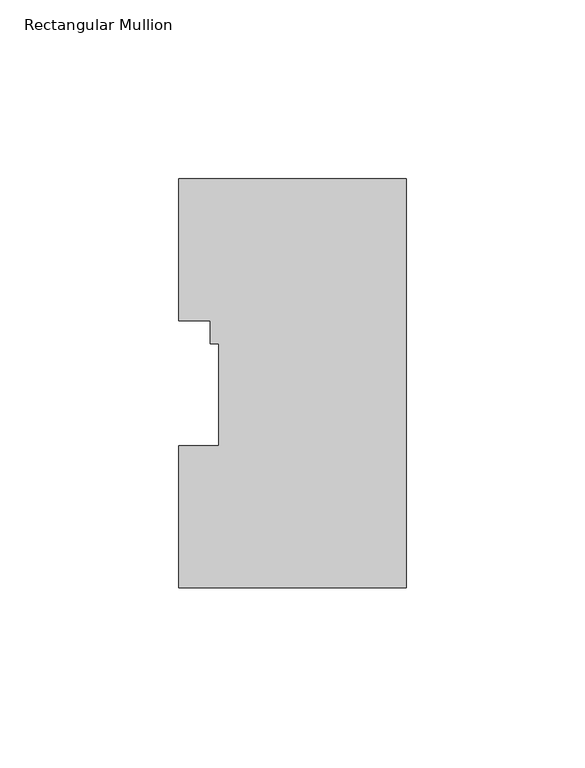
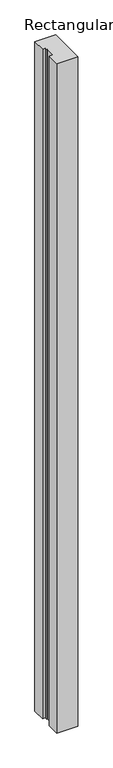
"""IFC4 building model written with IfcOpenShell, lengths in millimetres: member geometry, Rectangular Mullion."""

from ifc_helpers import new_model, si_unit, frame, origin, place, context, project, spatial, polyline, outline, extrude, source, transform, mapped, element, save


def rectangular_mullion_5ad6006d(model_context):
    return source(origin(), model_context, "Body", "SweptSolid", [
        extrude(outline(polyline([(-63.5, 114.271425), (0.0, 114.271425), (0.0, -0.028575), (-63.5, -0.028575), (-63.5, 39.646225), (-52.3875, 39.646225), (-52.3875, 68.246625), (-54.7624, 68.246625), (-54.7624, 74.596625), (-63.5, 74.596625), (-63.5, 114.271425)])), frame((0.0, 0.0, -2133.6), z_axis=(0.0, 0.0, 1.0), x_axis=(1.0, 0.0, 0.0)), (0.0, 0.0, 1.0), 2133.6),
    ])


if __name__ == "__main__":
    model = new_model("IFC4")
    model_context = context("Model", 3, world=origin())
    ifc_project = project(units=[si_unit("LENGTHUNIT", "METRE", prefix="MILLI")], contexts=[model_context])
    site = spatial("IfcSite", under=ifc_project)
    building = spatial("IfcBuilding", under=site)
    placement = place(None, origin())
    rectangular_mullion_shape = rectangular_mullion_5ad6006d(model_context)
    element("IfcMember", 1, ObjectType="Rectangular Mullion", at=placement, inside=building, context=model_context, shape_type="MappedRepresentation", body=[
        mapped(rectangular_mullion_shape, transform((0.0, 0.0, 0.0), x_axis=(1.0, 0.0, 0.0), y_axis=(0.0, 1.0, 0.0), z_axis=(0.0, 0.0, 1.0))),
    ])
    save(model, "model.ifc")
